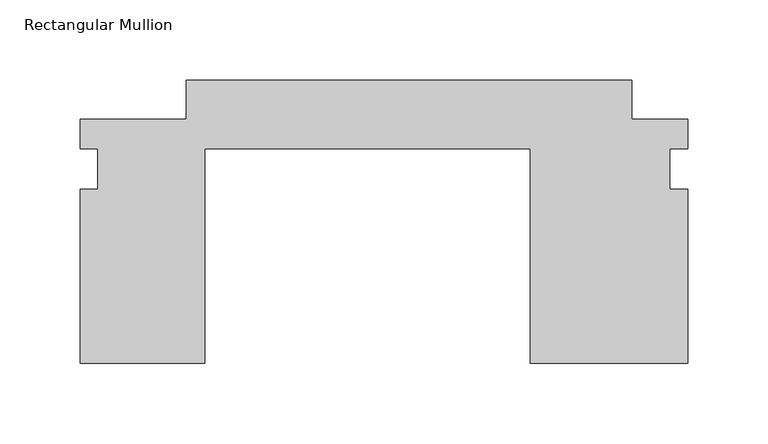
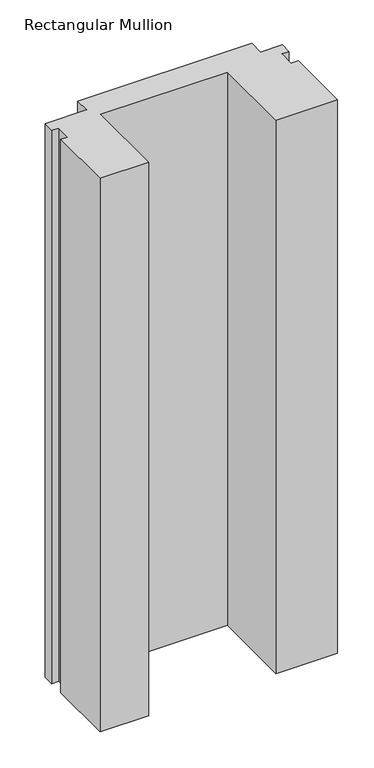
"""IFC4 building model written with IfcOpenShell, lengths in millimetres: member geometry, Rectangular Mullion."""

import ifcopenshell
import ifcopenshell.guid

model = None  # the IFC model being written
_history = None  # IfcOwnerHistory: only IFC2X3 demands one
_inside = {}  # id of a spatial element -> (the spatial element, [elements in it])
_under = {}  # id of a project, library or spatial element -> (it, [spatial elements below it])
_declared = {}  # id of a project -> (the project, [libraries it declares])
_typed = {}  # id of a type object -> (the type object, [elements of that type])
_made_of = {}  # id of a material, layer set ... -> (it, [elements and type objects made of it])


def new_model(schema):
    """Start an empty IFC model of exactly this schema.

    Asked for "IFC4X3", IfcOpenShell would pick the latest addendum, in which some entities
    have other attributes; the version numbers below select the first issue.
    IFC2X3 requires an IfcOwnerHistory on every rooted entity: one is made here for all.
    """
    global model, _history
    if schema == "IFC4X3":
        model = ifcopenshell.file(schema_version=(4, 3, 0, 0))
    else:
        model = ifcopenshell.file(schema=schema)
    _inside.clear()
    _under.clear()
    _declared.clear()
    _typed.clear()
    _made_of.clear()
    _history = None
    if model.schema == "IFC2X3":
        org = make("IfcOrganization", Name="unknown")
        user = make(
            "IfcPersonAndOrganization",
            ThePerson=make("IfcPerson", FamilyName="unknown"),
            TheOrganization=org,
        )
        app = make(
            "IfcApplication",
            ApplicationDeveloper=org,
            Version="unknown",
            ApplicationFullName="unknown",
            ApplicationIdentifier="unknown",
        )
        _history = make(
            "IfcOwnerHistory",
            OwningUser=user,
            OwningApplication=app,
            ChangeAction="ADDED",
            CreationDate=0,
        )
    return model


def make(cls, **values):
    """One entity of the class cls with the attributes given. An attribute that is None is left unset."""
    return model.create_entity(
        cls, **{name: value for name, value in values.items() if value is not None}
    )


def rooted(cls, **values):
    """An entity with a GlobalId (a new one), such as an element, a storey or a relation."""
    return make(cls, GlobalId=ifcopenshell.guid.new(), OwnerHistory=_history, **values)


def si_unit(unit_type, name, prefix=None):
    """IfcSIUnit, for example si_unit("LENGTHUNIT", "METRE", prefix="MILLI")."""
    return make("IfcSIUnit", UnitType=unit_type, Prefix=prefix, Name=name)


def assignment(units):
    """IfcUnitAssignment: the units of a project."""
    return None if units is None else make("IfcUnitAssignment", Units=units)


def point(xyz):
    """IfcCartesianPoint."""
    return None if xyz is None else make("IfcCartesianPoint", Coordinates=xyz)


def direction(xyz):
    """IfcDirection."""
    return None if xyz is None else make("IfcDirection", DirectionRatios=xyz)


def frame(location, z_axis=None, x_axis=None):
    """IfcAxis2Placement3D, a coordinate frame: its origin and axes. An axis left out is left unset."""
    return make(
        "IfcAxis2Placement3D",
        Location=point(location),
        Axis=direction(z_axis),
        RefDirection=direction(x_axis),
    )


def origin():
    """The frame at (0, 0, 0) with its axes left unset."""
    return frame((0.0, 0.0, 0.0))


def place(relative_to, where):
    """IfcLocalPlacement: puts the frame where relative to a parent placement (None: the world)."""
    return make(
        "IfcLocalPlacement", PlacementRelTo=relative_to, RelativePlacement=where
    )


def context(
    kind, dimensions, precision=None, world=None, true_north=None, identifier=None
):
    """IfcGeometricRepresentationContext, for example the 3D "Model" context."""
    return make(
        "IfcGeometricRepresentationContext",
        ContextIdentifier=identifier,
        ContextType=kind,
        CoordinateSpaceDimension=dimensions,
        Precision=precision,
        WorldCoordinateSystem=world,
        TrueNorth=true_north,
    )


def project(units=None, contexts=None):
    """IfcProject with its units and contexts."""
    return rooted(
        "IfcProject",
        Name="project",
        RepresentationContexts=contexts,
        UnitsInContext=assignment(units),
    )


def spatial(cls, under=None, at=None, **own):
    """A site, building, storey or space (cls), placed at a placement, below another one or the project."""
    s = rooted(cls, ObjectPlacement=at, **own)
    if under is not None:
        _under.setdefault(under.id(), (under, []))[1].append(s)
    return s


def polyline(points):
    """IfcPolyline through the points."""
    return make("IfcPolyline", Points=[point(p) for p in points])


def outline(outer, holes=None, kind="AREA"):
    """IfcArbitraryClosedProfileDef: a profile drawn as a closed curve; with holes, ...WithVoids."""
    if holes is None:
        return make("IfcArbitraryClosedProfileDef", ProfileType=kind, OuterCurve=outer)
    return make(
        "IfcArbitraryProfileDefWithVoids",
        ProfileType=kind,
        OuterCurve=outer,
        InnerCurves=holes,
    )


def extrude(swept, where, along, depth):
    """IfcExtrudedAreaSolid: the profile swept, set in the frame where, extruded along a direction by depth."""
    return make(
        "IfcExtrudedAreaSolid",
        SweptArea=swept,
        Position=where,
        ExtrudedDirection=direction(along),
        Depth=depth,
    )


def shape(context_of_items, identifier, shape_type, items):
    """IfcShapeRepresentation: the items that make up one representation, for example the "Body"."""
    return make(
        "IfcShapeRepresentation",
        ContextOfItems=context_of_items,
        RepresentationIdentifier=identifier,
        RepresentationType=shape_type,
        Items=items,
    )


def source(mapping_origin, context_of_items, identifier, shape_type, items):
    """IfcRepresentationMap: a shape defined once, which mapped items show again and again."""
    return make(
        "IfcRepresentationMap",
        MappingOrigin=mapping_origin,
        MappedRepresentation=shape(context_of_items, identifier, shape_type, items),
    )


def transform(
    local_origin,
    x_axis=None,
    y_axis=None,
    z_axis=None,
    scale=None,
    scale2=None,
    scale3=None,
    uniform=True,
):
    """IfcCartesianTransformationOperator3D, or its non-uniform kind. x_axis, y_axis, z_axis: its Axis1, 2, 3."""
    if uniform:
        return make(
            "IfcCartesianTransformationOperator3D",
            Axis1=direction(x_axis),
            Axis2=direction(y_axis),
            LocalOrigin=point(local_origin),
            Scale=scale,
            Axis3=direction(z_axis),
        )
    return make(
        "IfcCartesianTransformationOperator3DnonUniform",
        Axis1=direction(x_axis),
        Axis2=direction(y_axis),
        LocalOrigin=point(local_origin),
        Scale=scale,
        Axis3=direction(z_axis),
        Scale2=scale2,
        Scale3=scale3,
    )


def mapped(mapping_source, mapping_target):
    """IfcMappedItem: shows the shape of a source again, moved by a transform."""
    return make(
        "IfcMappedItem", MappingSource=mapping_source, MappingTarget=mapping_target
    )


def made_of(thing, what):
    """Note that an element or type object is made of a material, layer set ...; save() writes the relation."""
    if what is not None:
        _made_of.setdefault(what.id(), (what, []))[1].append(thing)
    return thing


def element(
    cls,
    number,
    at=None,
    inside=None,
    cuts=None,
    type_object=None,
    material=None,
    context=None,
    identifier="Body",
    shape_type=None,
    held_by="IfcProductDefinitionShape",
    body=None,
    shapes=None,
    **own,
):
    """One element of the class cls, such as IfcWall. Its Tag is "e" and its number.

    at: its placement. inside: the storey or other place that contains it. cuts: it is an
    opening in that element (IfcRelVoidsElement). A single representation is given by context,
    identifier, shape_type and body (its items); several are given by shapes. held_by: the class
    of the entity that holds the representations. save() writes the other relations.
    """
    e = rooted(cls, Tag="e%d" % number, ObjectPlacement=at, **own)
    if body is not None:
        shapes = [shape(context, identifier, shape_type, body)]
    if shapes is not None:
        e.Representation = make(held_by, Representations=shapes)
    if inside is not None:
        _inside.setdefault(inside.id(), (inside, []))[1].append(e)
    if cuts is not None:
        rooted(
            "IfcRelVoidsElement", RelatingBuildingElement=cuts, RelatedOpeningElement=e
        )
    if type_object is not None:
        _typed.setdefault(type_object.id(), (type_object, []))[1].append(e)
    return made_of(e, material)


def aggregate(whole, parts):
    """IfcRelAggregates: a whole, such as a stair, and the parts it consists of."""
    return rooted("IfcRelAggregates", RelatingObject=whole, RelatedObjects=parts)


def save(model, path):
    """Write the relations noted so far, then the file.

    IfcRelAggregates (storeys below a building ...), IfcRelContainedInSpatialStructure (elements
    in a storey), IfcRelDefinesByType, IfcRelAssociatesMaterial and IfcRelDeclares: one each for
    every whole, place, type object, material and project.
    """
    for whole, parts in _under.values():
        aggregate(whole, parts)
    for where, things in _inside.values():
        rooted(
            "IfcRelContainedInSpatialStructure",
            RelatedElements=things,
            RelatingStructure=where,
        )
    for kind, things in _typed.values():
        rooted("IfcRelDefinesByType", RelatedObjects=things, RelatingType=kind)
    for what, things in _made_of.values():
        rooted("IfcRelAssociatesMaterial", RelatedObjects=things, RelatingMaterial=what)
    for by, libraries in _declared.values():
        rooted("IfcRelDeclares", RelatingContext=by, RelatedDefinitions=libraries)
    model.write(path)


def rectangular_mullion_261530d7(model_context):
    return source(origin(), model_context, "Body", "SweptSolid", [
        extrude(outline(polyline([(189.6788078, -12.7), (189.6788078, -121.259591), (91.2910335, -121.259591), (91.2910335, 12.7), (-111.9349455, 12.7), (-111.9349455, -121.259591), (-189.6788078, -121.259591), (-189.6788078, -12.7), (-178.5587644, -12.7), (-178.5587644, 12.7), (-189.6788078, 12.7), (-189.6788078, 31.140391), (-123.441123, 31.140391), (-123.441123, 55.5755274), (154.7910522, 55.5755274), (154.7910522, 31.140391), (189.6788078, 31.140391), (189.6788078, 12.7), (178.2052192, 12.7), (178.2052192, -12.7), (189.6788078, -12.7)])), frame((0.0, 0.0, -933.45), z_axis=(0.0, 0.0, 1.0), x_axis=(1.0, 0.0, 0.0)), (0.0, 0.0, 1.0), 933.45),
    ])


if __name__ == "__main__":
    model = new_model("IFC4")
    model_context = context("Model", 3, world=origin())
    ifc_project = project(units=[si_unit("LENGTHUNIT", "METRE", prefix="MILLI")], contexts=[model_context])
    site = spatial("IfcSite", under=ifc_project)
    building = spatial("IfcBuilding", under=site)
    placement = place(None, origin())
    rectangular_mullion_shape = rectangular_mullion_261530d7(model_context)
    element("IfcMember", 1, ObjectType="Rectangular Mullion", at=placement, inside=building, context=model_context, shape_type="MappedRepresentation", body=[
        mapped(rectangular_mullion_shape, transform((0.0, 0.0, 0.0), x_axis=(1.0, 0.0, 0.0), y_axis=(0.0, 1.0, 0.0), z_axis=(0.0, 0.0, 1.0))),
    ])
    save(model, "model.ifc")
